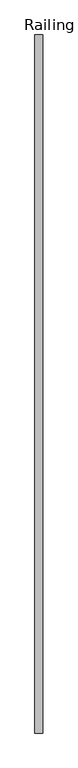
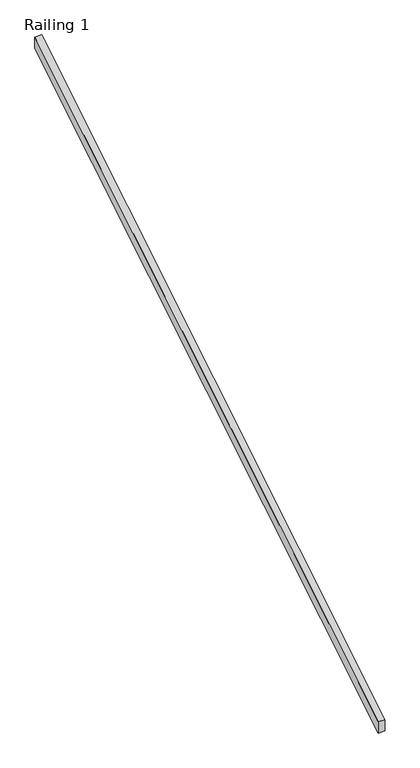
"""IFC4 building model written with IfcOpenShell, lengths in millimetres: railing geometry, Railing 1."""

import ifcopenshell
import ifcopenshell.guid

model = None  # the IFC model being written
_history = None  # IfcOwnerHistory: only IFC2X3 demands one
_inside = {}  # id of a spatial element -> (the spatial element, [elements in it])
_under = {}  # id of a project, library or spatial element -> (it, [spatial elements below it])
_declared = {}  # id of a project -> (the project, [libraries it declares])
_typed = {}  # id of a type object -> (the type object, [elements of that type])
_made_of = {}  # id of a material, layer set ... -> (it, [elements and type objects made of it])


def new_model(schema):
    """Start an empty IFC model of exactly this schema.

    Asked for "IFC4X3", IfcOpenShell would pick the latest addendum, in which some entities
    have other attributes; the version numbers below select the first issue.
    IFC2X3 requires an IfcOwnerHistory on every rooted entity: one is made here for all.
    """
    global model, _history
    if schema == "IFC4X3":
        model = ifcopenshell.file(schema_version=(4, 3, 0, 0))
    else:
        model = ifcopenshell.file(schema=schema)
    _inside.clear()
    _under.clear()
    _declared.clear()
    _typed.clear()
    _made_of.clear()
    _history = None
    if model.schema == "IFC2X3":
        org = make("IfcOrganization", Name="unknown")
        user = make(
            "IfcPersonAndOrganization",
            ThePerson=make("IfcPerson", FamilyName="unknown"),
            TheOrganization=org,
        )
        app = make(
            "IfcApplication",
            ApplicationDeveloper=org,
            Version="unknown",
            ApplicationFullName="unknown",
            ApplicationIdentifier="unknown",
        )
        _history = make(
            "IfcOwnerHistory",
            OwningUser=user,
            OwningApplication=app,
            ChangeAction="ADDED",
            CreationDate=0,
        )
    return model


def make(cls, **values):
    """One entity of the class cls with the attributes given. An attribute that is None is left unset."""
    return model.create_entity(
        cls, **{name: value for name, value in values.items() if value is not None}
    )


def rooted(cls, **values):
    """An entity with a GlobalId (a new one), such as an element, a storey or a relation."""
    return make(cls, GlobalId=ifcopenshell.guid.new(), OwnerHistory=_history, **values)


def si_unit(unit_type, name, prefix=None):
    """IfcSIUnit, for example si_unit("LENGTHUNIT", "METRE", prefix="MILLI")."""
    return make("IfcSIUnit", UnitType=unit_type, Prefix=prefix, Name=name)


def assignment(units):
    """IfcUnitAssignment: the units of a project."""
    return None if units is None else make("IfcUnitAssignment", Units=units)


def point(xyz):
    """IfcCartesianPoint."""
    return None if xyz is None else make("IfcCartesianPoint", Coordinates=xyz)


def direction(xyz):
    """IfcDirection."""
    return None if xyz is None else make("IfcDirection", DirectionRatios=xyz)


def frame(location, z_axis=None, x_axis=None):
    """IfcAxis2Placement3D, a coordinate frame: its origin and axes. An axis left out is left unset."""
    return make(
        "IfcAxis2Placement3D",
        Location=point(location),
        Axis=direction(z_axis),
        RefDirection=direction(x_axis),
    )


def origin():
    """The frame at (0, 0, 0) with its axes left unset."""
    return frame((0.0, 0.0, 0.0))


def place(relative_to, where):
    """IfcLocalPlacement: puts the frame where relative to a parent placement (None: the world)."""
    return make(
        "IfcLocalPlacement", PlacementRelTo=relative_to, RelativePlacement=where
    )


def context(
    kind, dimensions, precision=None, world=None, true_north=None, identifier=None
):
    """IfcGeometricRepresentationContext, for example the 3D "Model" context."""
    return make(
        "IfcGeometricRepresentationContext",
        ContextIdentifier=identifier,
        ContextType=kind,
        CoordinateSpaceDimension=dimensions,
        Precision=precision,
        WorldCoordinateSystem=world,
        TrueNorth=true_north,
    )


def project(units=None, contexts=None):
    """IfcProject with its units and contexts."""
    return rooted(
        "IfcProject",
        Name="project",
        RepresentationContexts=contexts,
        UnitsInContext=assignment(units),
    )


def spatial(cls, under=None, at=None, **own):
    """A site, building, storey or space (cls), placed at a placement, below another one or the project."""
    s = rooted(cls, ObjectPlacement=at, **own)
    if under is not None:
        _under.setdefault(under.id(), (under, []))[1].append(s)
    return s


def polyline(points):
    """IfcPolyline through the points."""
    return make("IfcPolyline", Points=[point(p) for p in points])


def outline(outer, holes=None, kind="AREA"):
    """IfcArbitraryClosedProfileDef: a profile drawn as a closed curve; with holes, ...WithVoids."""
    if holes is None:
        return make("IfcArbitraryClosedProfileDef", ProfileType=kind, OuterCurve=outer)
    return make(
        "IfcArbitraryProfileDefWithVoids",
        ProfileType=kind,
        OuterCurve=outer,
        InnerCurves=holes,
    )


def extrude(swept, where, along, depth):
    """IfcExtrudedAreaSolid: the profile swept, set in the frame where, extruded along a direction by depth."""
    return make(
        "IfcExtrudedAreaSolid",
        SweptArea=swept,
        Position=where,
        ExtrudedDirection=direction(along),
        Depth=depth,
    )


def shape(context_of_items, identifier, shape_type, items):
    """IfcShapeRepresentation: the items that make up one representation, for example the "Body"."""
    return make(
        "IfcShapeRepresentation",
        ContextOfItems=context_of_items,
        RepresentationIdentifier=identifier,
        RepresentationType=shape_type,
        Items=items,
    )


def source(mapping_origin, context_of_items, identifier, shape_type, items):
    """IfcRepresentationMap: a shape defined once, which mapped items show again and again."""
    return make(
        "IfcRepresentationMap",
        MappingOrigin=mapping_origin,
        MappedRepresentation=shape(context_of_items, identifier, shape_type, items),
    )


def transform(
    local_origin,
    x_axis=None,
    y_axis=None,
    z_axis=None,
    scale=None,
    scale2=None,
    scale3=None,
    uniform=True,
):
    """IfcCartesianTransformationOperator3D, or its non-uniform kind. x_axis, y_axis, z_axis: its Axis1, 2, 3."""
    if uniform:
        return make(
            "IfcCartesianTransformationOperator3D",
            Axis1=direction(x_axis),
            Axis2=direction(y_axis),
            LocalOrigin=point(local_origin),
            Scale=scale,
            Axis3=direction(z_axis),
        )
    return make(
        "IfcCartesianTransformationOperator3DnonUniform",
        Axis1=direction(x_axis),
        Axis2=direction(y_axis),
        LocalOrigin=point(local_origin),
        Scale=scale,
        Axis3=direction(z_axis),
        Scale2=scale2,
        Scale3=scale3,
    )


def mapped(mapping_source, mapping_target):
    """IfcMappedItem: shows the shape of a source again, moved by a transform."""
    return make(
        "IfcMappedItem", MappingSource=mapping_source, MappingTarget=mapping_target
    )


def made_of(thing, what):
    """Note that an element or type object is made of a material, layer set ...; save() writes the relation."""
    if what is not None:
        _made_of.setdefault(what.id(), (what, []))[1].append(thing)
    return thing


def element(
    cls,
    number,
    at=None,
    inside=None,
    cuts=None,
    type_object=None,
    material=None,
    context=None,
    identifier="Body",
    shape_type=None,
    held_by="IfcProductDefinitionShape",
    body=None,
    shapes=None,
    **own,
):
    """One element of the class cls, such as IfcWall. Its Tag is "e" and its number.

    at: its placement. inside: the storey or other place that contains it. cuts: it is an
    opening in that element (IfcRelVoidsElement). A single representation is given by context,
    identifier, shape_type and body (its items); several are given by shapes. held_by: the class
    of the entity that holds the representations. save() writes the other relations.
    """
    e = rooted(cls, Tag="e%d" % number, ObjectPlacement=at, **own)
    if body is not None:
        shapes = [shape(context, identifier, shape_type, body)]
    if shapes is not None:
        e.Representation = make(held_by, Representations=shapes)
    if inside is not None:
        _inside.setdefault(inside.id(), (inside, []))[1].append(e)
    if cuts is not None:
        rooted(
            "IfcRelVoidsElement", RelatingBuildingElement=cuts, RelatedOpeningElement=e
        )
    if type_object is not None:
        _typed.setdefault(type_object.id(), (type_object, []))[1].append(e)
    return made_of(e, material)


def aggregate(whole, parts):
    """IfcRelAggregates: a whole, such as a stair, and the parts it consists of."""
    return rooted("IfcRelAggregates", RelatingObject=whole, RelatedObjects=parts)


def save(model, path):
    """Write the relations noted so far, then the file.

    IfcRelAggregates (storeys below a building ...), IfcRelContainedInSpatialStructure (elements
    in a storey), IfcRelDefinesByType, IfcRelAssociatesMaterial and IfcRelDeclares: one each for
    every whole, place, type object, material and project.
    """
    for whole, parts in _under.values():
        aggregate(whole, parts)
    for where, things in _inside.values():
        rooted(
            "IfcRelContainedInSpatialStructure",
            RelatedElements=things,
            RelatingStructure=where,
        )
    for kind, things in _typed.values():
        rooted("IfcRelDefinesByType", RelatedObjects=things, RelatingType=kind)
    for what, things in _made_of.values():
        rooted("IfcRelAssociatesMaterial", RelatedObjects=things, RelatingMaterial=what)
    for by, libraries in _declared.values():
        rooted("IfcRelDeclares", RelatingContext=by, RelatedDefinitions=libraries)
    model.write(path)


def railing_1_0b8b03af(model_context):
    return source(origin(), model_context, "Body", "SweptSolid", [
        extrude(outline(polyline([(183604.6596581, 1139.2458145), (183604.6596581, 1228.4891807), (188075.0596581, 3953.7679687), (188075.0596581, 3864.5246025), (183604.6596581, 1139.2458145)])), frame((239506.8978487, 0.0, 0.0), z_axis=(1.0, 0.0, 0.0), x_axis=(0.0, 1.0, 0.0)), (0.0, 0.0, 1.0), 50.8),
    ])


if __name__ == "__main__":
    model = new_model("IFC4")
    model_context = context("Model", 3, world=origin())
    ifc_project = project(units=[si_unit("LENGTHUNIT", "METRE", prefix="MILLI")], contexts=[model_context])
    site = spatial("IfcSite", under=ifc_project)
    building = spatial("IfcBuilding", under=site)
    placement = place(None, origin())
    railing_1_shape = railing_1_0b8b03af(model_context)
    element("IfcRailing", 1, ObjectType="Railing 1", at=placement, inside=building, context=model_context, shape_type="MappedRepresentation", body=[
        mapped(railing_1_shape, transform((0.0, 0.0, 0.0), x_axis=(1.0, 0.0, 0.0), y_axis=(0.0, 1.0, 0.0), z_axis=(0.0, 0.0, 1.0))),
    ])
    save(model, "model.ifc")
